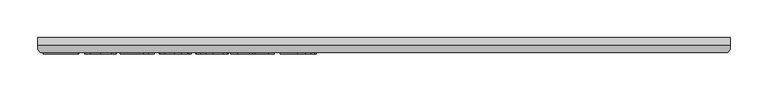
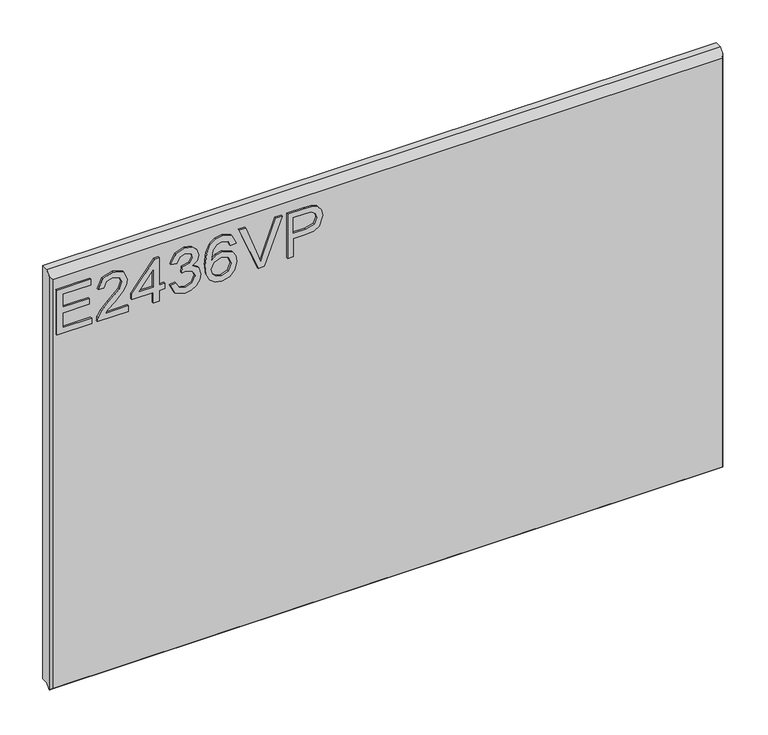
"""IFC4 building model written with IfcOpenShell, lengths in millimetres: furniture geometry."""

from ifc_helpers import new_model, si_unit, frame, origin, place, context, project, spatial, polyline, outline, extrude, faceted_brep, source, transform, mapped, element, save


def furniture_b974622c(model_context):
    return source(origin(), model_context, "Body", "SolidModel", [
        extrude(outline(polyline([(1017.6867188, -279.0852904), (1017.6867188, -232.2396877), (1025.6604384, -232.2396877), (1025.6604384, -271.1115708), (1046.5914524, -271.1115708), (1046.5914524, -235.2298325), (1054.565172, -235.2298325), (1054.565172, -271.1115708), (1073.5027561, -271.1115708), (1073.5027561, -233.2364026), (1081.4764757, -233.2364026), (1081.4764757, -279.0852904), (1017.6867188, -279.0852904)])), frame((0.0, -21.9273438, 0.0), z_axis=(0.0, 1.0, 0.0), x_axis=(0.0, 0.0, 1.0)), (0.0, 0.0, 1.0), 2.38125),
        extrude(outline(polyline([(1025.6604384, -182.40394), (1025.6604384, -213.7225927), (1029.7173797, -210.1250747), (1037.3874127, -200.9521824), (1048.312343, -189.5288946), (1056.1303259, -184.8178591), (1063.6913433, -183.400655), (1076.3683116, -188.656769), (1081.4764757, -202.9300386), (1076.8822427, -217.1565872), (1063.5356066, -223.2692531), (1062.5388916, -215.2955335), (1070.5904796, -211.9394073), (1073.5027561, -203.101349), (1070.5203981, -194.621485), (1063.2085595, -191.3743746), (1054.1758302, -194.8161559), (1040.8914887, -208.5832812), (1031.6485149, -218.5660044), (1023.1842247, -223.4094161), (1017.6867188, -224.265968), (1017.6867188, -182.40394), (1025.6604384, -182.40394)])), frame((0.0, -21.9273438, 0.0), z_axis=(0.0, 1.0, 0.0), x_axis=(0.0, 0.0, 1.0)), (0.0, 0.0, 1.0), 2.38125),
        extrude(outline(polyline([(1017.6867188, -148.5156317), (1017.6867188, -140.5419121), (1032.637443, -140.5419121), (1032.637443, -132.5681924), (1040.6111627, -132.5681924), (1040.6111627, -140.5419121), (1080.4797607, -140.5419121), (1080.4797607, -146.5222018), (1040.6111627, -177.4203653), (1032.637443, -177.4203653), (1032.637443, -148.5156317), (1017.6867188, -148.5156317)]), holes=[polyline([(1040.6111627, -148.5156317), (1040.6111627, -167.6089525), (1065.2487104, -148.5156317), (1040.6111627, -148.5156317)])]), frame((0.0, -21.9273438, 0.0), z_axis=(0.0, 1.0, 0.0), x_axis=(0.0, 0.0, 1.0)), (0.0, 0.0, 1.0), 2.38125),
        extrude(outline(polyline([(1034.6308729, -125.5911878), (1021.6891522, -119.2527036), (1016.6900038, -105.2675469), (1018.1539289, -96.7448554), (1022.5457041, -89.8340389), (1029.039925, -85.2553795), (1036.8111869, -83.7291598), (1047.1832519, -86.7815993), (1052.6340368, -95.4717078), (1057.9135113, -88.9307659), (1065.264284, -86.7193046), (1073.3080852, -89.0475685), (1079.2883749, -95.7753944), (1081.4764757, -105.3921363), (1077.0379794, -118.0691046), (1064.5323215, -124.5944728), (1063.5356066, -116.6207532), (1071.0109687, -112.7117617), (1073.5027561, -105.1118102), (1071.0343292, -97.6053007), (1064.7970739, -94.6930242), (1057.7577746, -98.7110314), (1055.5618869, -109.0363754), (1047.5881673, -109.9240746), (1048.4602929, -104.3331267), (1045.1976088, -95.2692501), (1036.9513499, -91.7028794), (1028.1989468, -95.3003974), (1024.6637234, -104.9872209), (1027.2333792, -113.2179061), (1035.6275879, -117.6174681), (1034.6308729, -125.5911878)])), frame((0.0, -21.9273438, 0.0), z_axis=(0.0, 1.0, 0.0), x_axis=(0.0, 0.0, 1.0)), (0.0, 0.0, 1.0), 2.38125),
        extrude(outline(polyline([(1064.5323215, -35.8868421), (1076.9756847, -41.7736898), (1081.4764757, -54.3727897), (1079.6582496, -63.6274438), (1074.2035713, -70.7718654), (1063.3448291, -76.0046189), (1047.4635779, -77.7488701), (1033.3382582, -76.177876), (1023.8538925, -71.4648938), (1018.480976, -64.2601242), (1016.6900038, -55.2137679), (1019.3920357, -44.7638346), (1027.1788713, -37.5220775), (1038.18167, -34.8901271), (1046.3539539, -36.2878641), (1052.8676418, -40.481075), (1058.5520318, -54.0301689), (1056.4729467, -62.7436379), (1050.111102, -69.7751504), (1064.3220769, -67.5091813), (1071.5716209, -62.0661832), (1073.5027561, -54.8711472), (1070.1855641, -46.8818539), (1063.5356066, -43.8605617), (1064.5323215, -35.8868421)]), holes=[polyline([(1038.3062593, -69.7751504), (1047.1910387, -65.8116511), (1050.5783122, -56.1637619), (1047.1910387, -46.3912832), (1037.9169175, -42.8638467), (1028.2300941, -46.4380043), (1024.6637234, -55.8367148), (1026.3846141, -63.023964), (1031.3993362, -67.9296704), (1038.3062593, -69.7751504)])]), frame((0.0, -21.9273438, 0.0), z_axis=(0.0, 1.0, 0.0), x_axis=(0.0, 0.0, 1.0)), (0.0, 0.0, 1.0), 2.38125),
        extrude(outline(polyline([(1017.6867188, -6.0788355), (1017.6867188, 2.1596365), (1081.4764757, 26.4701371), (1081.4764757, 17.9357654), (1035.5185722, 0.8981691), (1025.1620809, -2.4968912), (1035.5185722, -5.9386725), (1081.4764757, -22.9295477), (1081.4764757, -31.4639195), (1017.6867188, -6.0788355)])), frame((0.0, -21.9273438, 0.0), z_axis=(0.0, 1.0, 0.0), x_axis=(0.0, 0.0, 1.0)), (0.0, 0.0, 1.0), 2.38125),
        extrude(outline(polyline([(1017.6867188, 33.8832046), (1017.6867188, 41.8569242), (1043.6013075, 41.8569242), (1043.6013075, 58.0691159), (1045.0107247, 69.3970149), (1049.2389765, 76.5939977), (1063.0216754, 81.7255223), (1071.7195707, 79.8255344), (1077.8867445, 74.8030255), (1080.8691025, 67.0551241), (1081.4764757, 57.5240374), (1081.4764757, 33.8832046), (1017.6867188, 33.8832046)]), holes=[polyline([(1051.5750271, 41.8569242), (1073.5027561, 41.8569242), (1073.5027561, 58.3494419), (1072.9576776, 66.3231616), (1069.3445859, 71.7038649), (1062.7413493, 73.7518027), (1054.5028773, 70.278874), (1051.5750271, 58.536326), (1051.5750271, 41.8569242)])]), frame((0.0, -21.9273438, 0.0), z_axis=(0.0, 1.0, 0.0), x_axis=(0.0, 0.0, 1.0)), (0.0, 0.0, 1.0), 2.38125),
        faceted_brep([(628.3377049, 0.0, 1106.5867187), (-286.0622951, 0.0, 1106.5867187), (-286.0622951, -9.7234375, 1106.5867187), (628.3377049, -9.7234375, 1106.5867187), (-286.0622951, 0.0, 513.159375), (628.3377049, 0.0, 513.159375), (628.3377049, -10.022457, 513.159375), (-286.0622951, -10.022457, 513.159375), (-286.0622951, -15.991457, 507.190375), (-286.0622951, -15.991457, 1100.3186992), (625.1639221, -19.5460937, 1096.7640625), (-282.8885123, -19.5460937, 1096.7640625), (-282.8885123, -19.5460937, 509.984375), (625.1627049, -19.5460937, 509.984375), (628.3377049, -15.991457, 1100.3186992), (628.3377049, -15.991457, 507.190375), (627.9975263, -16.372457, 506.809375), (-285.7221165, -16.372457, 506.809375)], [[[0, 1, 2, 3]], [[4, 5, 6, 7]], [[1, 4, 7, 8, 9, 2]], [[10, 11, 12, 13]], [[5, 0, 3, 14, 15, 6]], [[1, 0, 5, 4]], [[3, 2, 9, 11, 10, 14]], [[7, 6, 15, 16, 17, 8]], [[17, 16, 13, 12]], [[9, 8, 17, 12, 11]], [[10, 13, 16, 15, 14]]]),
    ])


if __name__ == "__main__":
    model = new_model("IFC4")
    model_context = context("Model", 3, world=origin())
    ifc_project = project(units=[si_unit("LENGTHUNIT", "METRE", prefix="MILLI")], contexts=[model_context])
    site = spatial("IfcSite", under=ifc_project)
    building = spatial("IfcBuilding", under=site)
    placement = place(None, origin())
    furniture_shape = furniture_b974622c(model_context)
    element("IfcFurniture", 1, at=placement, inside=building, context=model_context, shape_type="MappedRepresentation", body=[
        mapped(furniture_shape, transform((0.0, 0.0, 0.0), x_axis=(1.0, 0.0, 0.0), y_axis=(0.0, 1.0, 0.0), z_axis=(0.0, 0.0, 1.0))),
    ])
    save(model, "model.ifc")
